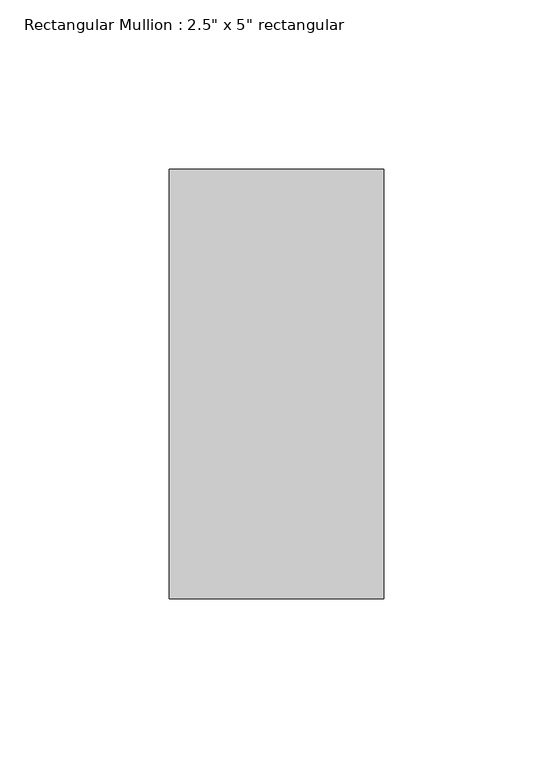
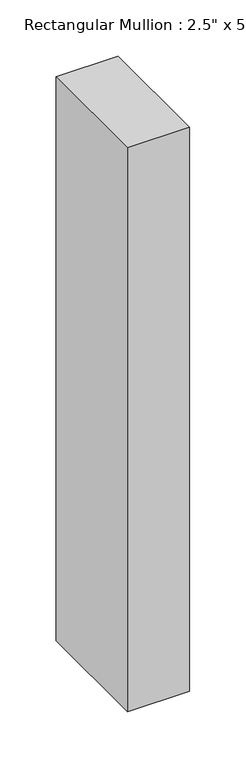
"""IFC4 building model written with IfcOpenShell, lengths in millimetres: member geometry."""

from ifc_helpers import new_model, si_unit, frame, origin, place, context, project, spatial, polyline, outline, extrude, source, transform, mapped, element, save


def member_01474910(model_context):
    return source(origin(), model_context, "Body", "SweptSolid", [
        extrude(outline(polyline([(0.0, 0.0), (0.0014438, -63.5), (-610.934124, -63.5), (-610.934124, 0.0), (0.0, 0.0)])), frame((0.0, -63.5, 0.0), z_axis=(0.0, 1.0, 0.0), x_axis=(0.0, 0.0, 1.0)), (0.0, 0.0, 1.0), 127.0),
    ])


if __name__ == "__main__":
    model = new_model("IFC4")
    model_context = context("Model", 3, world=origin())
    ifc_project = project(units=[si_unit("LENGTHUNIT", "METRE", prefix="MILLI")], contexts=[model_context])
    site = spatial("IfcSite", under=ifc_project)
    building = spatial("IfcBuilding", under=site)
    placement = place(None, origin())
    member_shape = member_01474910(model_context)
    element("IfcMember", 1, ObjectType="Rectangular Mullion : 2.5\" x 5\" rectangular", at=placement, inside=building, context=model_context, shape_type="MappedRepresentation", body=[
        mapped(member_shape, transform((0.0, 0.0, 0.0), x_axis=(1.0, 0.0, 0.0), y_axis=(0.0, 1.0, 0.0), z_axis=(0.0, 0.0, 1.0))),
    ])
    save(model, "model.ifc")
